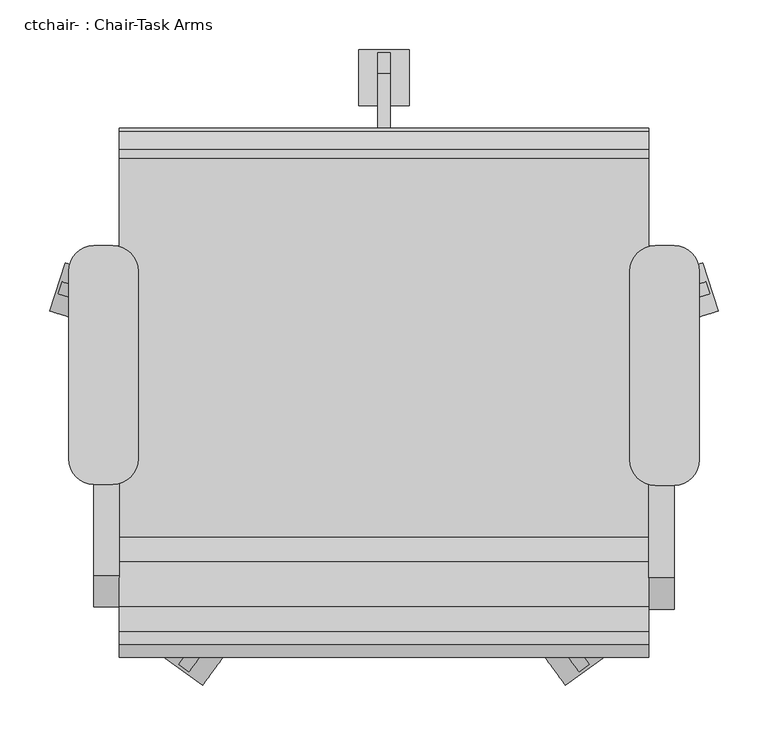
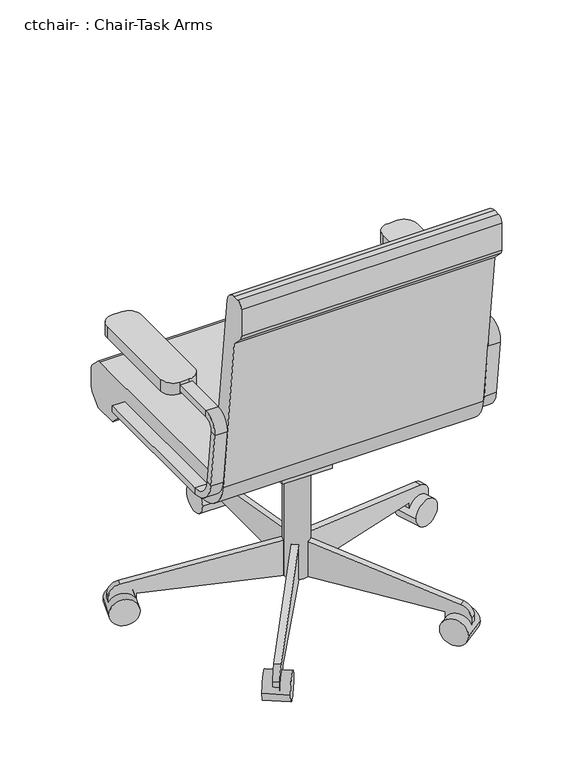
"""IFC4 building model written with IfcOpenShell, lengths in millimetres: furniture geometry, ctchair- : Chair-Task Arms."""

from ifc_helpers import new_model, si_unit, point, frame, frame_2d, origin, place, context, project, spatial, polyline, circle_curve, trimmed, segment, composite_curve, outline, extrude, source, transform, mapped, element, save
from ifc_brep_helpers import plane_surface, cylinder_surface, revolved_surface, advanced_brep


def ctchair_chair_task_arms_3b363349(model_context):
    return source(origin(), model_context, "Body", "SolidModel", [
        extrude(outline(composite_curve([segment(polyline([(433.0908197, -74.2028048), (414.0408197, -74.2028048)]), True, "CONTINUOUS"), segment(trimmed(circle_curve(frame_2d((414.0408197, -48.8028048)), 25.4), [point((414.0408197, -74.2028048))], [point((388.6408197, -48.8028048))], False, "CARTESIAN"), True, "CONTINUOUS"), segment(polyline([(388.6408197, -48.8028048), (388.6408197, 141.6319091)]), True, "CONTINUOUS"), segment(trimmed(circle_curve(frame_2d((414.0408197, 141.6319091)), 25.4), [point((388.6408197, 141.6319091))], [point((414.0408197, 167.0319091))], False, "CARTESIAN"), True, "CONTINUOUS"), segment(polyline([(414.0408197, 167.0319091), (433.0908197, 167.0319091)]), True, "CONTINUOUS"), segment(trimmed(circle_curve(frame_2d((433.0908197, 141.6319091)), 25.4), [point((433.0908197, 167.0319091))], [point((458.4908197, 141.6319091))], False, "CARTESIAN"), True, "CONTINUOUS"), segment(polyline([(458.4908197, 141.6319091), (458.4908197, -48.8028048)]), True, "CONTINUOUS"), segment(trimmed(circle_curve(frame_2d((433.0908197, -48.8028048)), 25.4), [point((458.4908197, -48.8028048))], [point((433.0908197, -74.2028048))], False, "CARTESIAN"), True, "CONTINUOUS")], self_intersect=False)), frame((0.0, 0.0, 596.9), z_axis=(0.0, 0.0, 1.0), x_axis=(1.0, 0.0, 0.0)), (0.0, 0.0, 1.0), 25.4),
        extrude(outline(composite_curve([segment(polyline([(-132.0591803, -73.1575984), (-151.1091803, -73.1575984)]), True, "CONTINUOUS"), segment(trimmed(circle_curve(frame_2d((-151.1091803, -47.7575984)), 25.4), [point((-151.1091803, -73.1575984))], [point((-176.5091803, -47.7575984))], False, "CARTESIAN"), True, "CONTINUOUS"), segment(polyline([(-176.5091803, -47.7575984), (-176.5091803, 141.6319091)]), True, "CONTINUOUS"), segment(trimmed(circle_curve(frame_2d((-151.1091803, 141.6319091)), 25.4), [point((-176.5091803, 141.6319091))], [point((-151.1091803, 167.0319091))], False, "CARTESIAN"), True, "CONTINUOUS"), segment(polyline([(-151.1091803, 167.0319091), (-132.0591803, 167.0319091)]), True, "CONTINUOUS"), segment(trimmed(circle_curve(frame_2d((-132.0591803, 141.6319091)), 25.4), [point((-132.0591803, 167.0319091))], [point((-106.6591803, 141.6319091))], False, "CARTESIAN"), True, "CONTINUOUS"), segment(polyline([(-106.6591803, 141.6319091), (-106.6591803, -47.7575984)]), True, "CONTINUOUS"), segment(trimmed(circle_curve(frame_2d((-132.0591803, -47.7575984)), 25.4), [point((-106.6591803, -47.7575984))], [point((-132.0591803, -73.1575984))], False, "CARTESIAN"), True, "CONTINUOUS")], self_intersect=False)), frame((0.0, 0.0, 596.9), z_axis=(0.0, 0.0, 1.0), x_axis=(1.0, 0.0, 0.0)), (0.0, 0.0, 1.0), 25.4),
        advanced_brep(
        [(-151.1091803, 167.0319091, 412.75), (-151.1091803, 167.0319091, 425.45), (-125.7091803, 167.0319091, 425.45), (-125.7091803, 167.0319091, 412.75), (-151.1091803, -126.2388651, 412.75), (-151.1091803, -126.2388651, 425.45), (-125.7091803, -126.2388651, 425.45), (-125.7091803, -126.2388651, 412.75), (-151.1091803, -170.3844094, 464.7064065), (-151.1091803, -182.9974221, 463.2225227), (-125.7091803, -170.3844094, 464.7064065), (-125.7091803, -182.9974221, 463.2225227), (-151.1091803, -196.7936301, 580.4902904), (-151.1091803, -184.1806174, 581.9741742), (-125.7091803, -184.1806174, 581.9741742), (-125.7091803, -196.7936301, 580.4902904), (-151.1091803, -165.2610984, 603.25), (-151.1091803, -165.2610984, 615.95), (-125.7091803, -165.2610984, 603.25), (-125.7091803, -165.2610984, 615.95), (-151.1091803, 18.9459016, 615.95), (-125.7091803, 18.9459016, 615.95), (-125.7091803, 18.9459016, 603.25), (-151.1091803, 18.9459016, 603.25)],
        [
            (0, 1),
            (1, 2),
            (2, 3),
            (3, 0),
            (0, 4),
            (4, 5),
            (5, 1),
            (5, 6),
            (6, 2),
            (6, 7),
            (7, 3),
            (7, 4),
            (8, 5, circle_curve(frame((-151.1091803, -126.2388651, 469.9), z_axis=(1.0, 0.0, 0.0), x_axis=(0.0, 0.0, -1.0)), 44.45)),
            (4, 9, circle_curve(frame((-151.1091803, -126.2388651, 469.9), z_axis=(-1.0, 0.0, 0.0), x_axis=(0.0, 0.0, -1.0)), 57.15)),
            (9, 8),
            (10, 6, circle_curve(frame((-125.7091803, -126.2388651, 469.9), z_axis=(1.0, 0.0, 0.0), x_axis=(0.0, 0.0, -1.0)), 44.45)),
            (8, 10),
            (11, 7, circle_curve(frame((-125.7091803, -126.2388651, 469.9), z_axis=(1.0, 0.0, 0.0), x_axis=(0.0, 0.0, -1.0)), 57.15)),
            (10, 11),
            (11, 9),
            (9, 12),
            (12, 13),
            (13, 8),
            (13, 14),
            (14, 10),
            (14, 15),
            (15, 11),
            (15, 12),
            (16, 13, circle_curve(frame((-151.1091803, -165.2610984, 584.2), z_axis=(1.0, 0.0, 0.0), x_axis=(0.0, -0.9931506043228768, -0.11684124756739202)), 19.05)),
            (12, 17, circle_curve(frame((-151.1091803, -165.2610984, 584.2), z_axis=(-1.0, 0.0, 0.0), x_axis=(0.0, -0.9931506043228768, -0.11684124756739202)), 31.75)),
            (17, 16),
            (18, 14, circle_curve(frame((-125.7091803, -165.2610984, 584.2), z_axis=(1.0, 0.0, 0.0), x_axis=(0.0, -0.9931506043228768, -0.11684124756739202)), 19.05)),
            (16, 18),
            (19, 15, circle_curve(frame((-125.7091803, -165.2610984, 584.2), z_axis=(1.0, 0.0, 0.0), x_axis=(0.0, -0.9931506043228768, -0.11684124756739202)), 31.75)),
            (18, 19),
            (19, 17),
            (20, 21),
            (21, 22),
            (22, 23),
            (23, 20),
            (17, 20),
            (23, 16),
            (22, 18),
            (21, 19),
        ],
        [
            plane_surface(frame((-152.608212, 167.0319091, 419.1), z_axis=(0.0, 1.0, 0.0), x_axis=(0.0, 0.0, -1.0))),
            plane_surface(frame((-151.1091803, 167.0319091, 412.75), z_axis=(-1.0, 0.0, 0.0), x_axis=(0.0, -1.0, 0.0))),
            plane_surface(frame((-151.1091803, 167.0319091, 425.45), z_axis=(0.0, 0.0, 1.0), x_axis=(0.0, -1.0, 0.0))),
            plane_surface(frame((-125.7091803, 167.0319091, 425.45), z_axis=(1.0, 0.0, 0.0), x_axis=(0.0, -1.0, 0.0))),
            plane_surface(frame((-125.7091803, 167.0319091, 412.75), z_axis=(0.0, 0.0, -1.0), x_axis=(0.0, -1.0, 0.0))),
            plane_surface(frame((-151.1091803, -126.2388651, 469.9), z_axis=(-1.0, 0.0, 0.0), x_axis=(0.0, 0.0, -1.0))),
            revolved_surface(polyline([(-151.1091803, -126.2388651, 425.45), (-125.7091803, -126.2388651, 425.45)]), (-138.4091803, -126.2388651, 469.9), (-1.0, 0.0, 0.0)),
            plane_surface(frame((-125.7091803, -126.2388651, 469.9), z_axis=(1.0, 0.0, 0.0), x_axis=(0.0, 0.0, -1.0))),
            cylinder_surface(frame((-138.4091803, -126.2388651, 469.9), z_axis=(-1.0, 0.0, 0.0), x_axis=(0.0, 0.0, -1.0)), 57.15),
            plane_surface(frame((-151.1091803, -182.9974221, 463.2225227), z_axis=(-1.0, 0.0, 0.0), x_axis=(0.0, -0.1168412475673856, 0.9931506043228776))),
            plane_surface(frame((-151.1091803, -170.3844094, 464.7064065), z_axis=(0.0, 0.9931506043228776, 0.1168412475673856), x_axis=(0.0, -0.1168412475673856, 0.9931506043228776))),
            plane_surface(frame((-125.7091803, -170.3844094, 464.7064065), z_axis=(1.0, 0.0, 0.0), x_axis=(0.0, -0.1168412475673856, 0.9931506043228776))),
            plane_surface(frame((-125.7091803, -182.9974221, 463.2225227), z_axis=(0.0, -0.9931506043228776, -0.1168412475673856), x_axis=(0.0, -0.1168412475673856, 0.9931506043228776))),
            plane_surface(frame((-151.1091803, -165.2610984, 584.2), z_axis=(-1.0, 0.0, 0.0), x_axis=(0.0, -0.9931506043228768, -0.11684124756739202))),
            revolved_surface(polyline([(-151.1091803, -184.1806174123508, 581.9741742338413), (-125.7091803, -184.1806174123508, 581.9741742338413)]), (-138.4091803, -165.2610984, 584.2), (-1.0, 0.0, 0.0)),
            plane_surface(frame((-125.7091803, -165.2610984, 584.2), z_axis=(1.0, 0.0, 0.0), x_axis=(0.0, -0.9931506043228768, -0.11684124756739202))),
            cylinder_surface(frame((-138.4091803, -165.2610984, 584.2), z_axis=(-1.0, 0.0, 0.0), x_axis=(0.0, -0.9931506043228768, -0.11684124756739202)), 31.75),
            plane_surface(frame((-152.608212, 18.9459016, 609.6), z_axis=(0.0, 1.0, 0.0), x_axis=(0.0, 0.0, 1.0))),
            plane_surface(frame((-151.1091803, -165.2610984, 615.95), z_axis=(-1.0, 0.0, 0.0), x_axis=(0.0, 1.0, 0.0))),
            plane_surface(frame((-151.1091803, -165.2610984, 603.25), z_axis=(0.0, 0.0, -1.0), x_axis=(0.0, 1.0, 0.0))),
            plane_surface(frame((-125.7091803, -165.2610984, 603.25), z_axis=(1.0, 0.0, 0.0), x_axis=(0.0, 1.0, 0.0))),
            plane_surface(frame((-125.7091803, -165.2610984, 615.95), z_axis=(0.0, 0.0, 1.0), x_axis=(0.0, 1.0, 0.0))),
        ],
        [
            (0, [[1, 2, 3, 4]]),
            (1, [[-1, 5, 6, 7]]),
            (2, [[-2, -7, 8, 9]]),
            (3, [[-3, -9, 10, 11]]),
            (4, [[-4, -11, 12, -5]]),
            (5, [[13, -6, 14, 15]]),
            (6, [[16, -8, -13, 17]]),
            (7, [[18, -10, -16, 19]]),
            (8, [[-14, -12, -18, 20]]),
            (9, [[-15, 21, 22, 23]]),
            (10, [[-17, -23, 24, 25]]),
            (11, [[-19, -25, 26, 27]]),
            (12, [[-20, -27, 28, -21]]),
            (13, [[29, -22, 30, 31]]),
            (14, [[32, -24, -29, 33]]),
            (15, [[34, -26, -32, 35]]),
            (16, [[-30, -28, -34, 36]]),
            (17, [[37, 38, 39, 40]]),
            (18, [[-31, 41, -40, 42]]),
            (19, [[-33, -42, -39, 43]]),
            (20, [[-35, -43, -38, 44]]),
            (21, [[-36, -44, -37, -41]]),
        ],
    ),
        advanced_brep(
        [(433.0908197, 167.0319091, 425.45), (433.0908197, 167.0319091, 412.75), (407.6908197, 167.0319091, 412.75), (407.6908197, 167.0319091, 425.45), (433.0908197, -128.329278, 425.45), (433.0908197, -128.329278, 412.75), (407.6908197, -128.329278, 412.75), (407.6908197, -128.329278, 425.45), (433.0908197, -185.0878351, 463.2225227), (433.0908197, -172.4748224, 464.7064065), (407.6908197, -185.0878351, 463.2225227), (407.6908197, -172.4748224, 464.7064065), (433.0908197, -186.2710303, 581.9741742), (433.0908197, -198.884043, 580.4902904), (407.6908197, -198.884043, 580.4902904), (407.6908197, -186.2710303, 581.9741742), (433.0908197, -167.3515113, 615.95), (433.0908197, -167.3515113, 603.25), (407.6908197, -167.3515113, 615.95), (407.6908197, -167.3515113, 603.25), (433.0908197, 18.9459016, 603.25), (407.6908197, 18.9459016, 603.25), (407.6908197, 18.9459016, 615.95), (433.0908197, 18.9459016, 615.95)],
        [
            (0, 1),
            (1, 2),
            (2, 3),
            (3, 0),
            (0, 4),
            (4, 5),
            (5, 1),
            (5, 6),
            (6, 2),
            (6, 7),
            (7, 3),
            (7, 4),
            (8, 5, circle_curve(frame((433.0908197, -128.329278, 469.9), z_axis=(1.0, 0.0, 0.0), x_axis=(0.0, 0.0, -1.0)), 57.15)),
            (4, 9, circle_curve(frame((433.0908197, -128.329278, 469.9), z_axis=(-1.0, 0.0, 0.0), x_axis=(0.0, 0.0, -1.0)), 44.45)),
            (9, 8),
            (10, 6, circle_curve(frame((407.6908197, -128.329278, 469.9), z_axis=(1.0, 0.0, 0.0), x_axis=(0.0, 0.0, -1.0)), 57.15)),
            (8, 10),
            (11, 7, circle_curve(frame((407.6908197, -128.329278, 469.9), z_axis=(1.0, 0.0, 0.0), x_axis=(0.0, 0.0, -1.0)), 44.45)),
            (10, 11),
            (11, 9),
            (9, 12),
            (12, 13),
            (13, 8),
            (13, 14),
            (14, 10),
            (14, 15),
            (15, 11),
            (15, 12),
            (16, 13, circle_curve(frame((433.0908197, -167.3515113, 584.2), z_axis=(1.0, 0.0, 0.0), x_axis=(0.0, -0.9931506043228767, -0.1168412475673929)), 31.75)),
            (12, 17, circle_curve(frame((433.0908197, -167.3515113, 584.2), z_axis=(-1.0, 0.0, 0.0), x_axis=(0.0, -0.9931506043228767, -0.1168412475673929)), 19.05)),
            (17, 16),
            (18, 14, circle_curve(frame((407.6908197, -167.3515113, 584.2), z_axis=(1.0, 0.0, 0.0), x_axis=(0.0, -0.9931506043228767, -0.1168412475673929)), 31.75)),
            (16, 18),
            (19, 15, circle_curve(frame((407.6908197, -167.3515113, 584.2), z_axis=(1.0, 0.0, 0.0), x_axis=(0.0, -0.9931506043228767, -0.1168412475673929)), 19.05)),
            (18, 19),
            (19, 17),
            (20, 21),
            (21, 22),
            (22, 23),
            (23, 20),
            (17, 20),
            (23, 16),
            (22, 18),
            (21, 19),
        ],
        [
            plane_surface(frame((406.191788, 167.0319091, 419.1), z_axis=(0.0, 1.0, 0.0), x_axis=(0.0, 0.0, -1.0))),
            plane_surface(frame((433.0908197, 167.0319091, 425.45), z_axis=(1.0, 0.0, 0.0), x_axis=(0.0, -1.0, 0.0))),
            plane_surface(frame((433.0908197, 167.0319091, 412.75), z_axis=(0.0, 0.0, -1.0), x_axis=(0.0, -1.0, 0.0))),
            plane_surface(frame((407.6908197, 167.0319091, 412.75), z_axis=(-1.0, 0.0, 0.0), x_axis=(0.0, -1.0, 0.0))),
            plane_surface(frame((407.6908197, 167.0319091, 425.45), z_axis=(0.0, 0.0, 1.0), x_axis=(0.0, -1.0, 0.0))),
            plane_surface(frame((433.0908197, -128.329278, 469.9), z_axis=(1.0, 0.0, 0.0), x_axis=(0.0, 0.0, -1.0))),
            cylinder_surface(frame((420.3908197, -128.329278, 469.9), z_axis=(-1.0, 0.0, 0.0), x_axis=(0.0, 0.0, -1.0)), 57.15),
            plane_surface(frame((407.6908197, -128.329278, 469.9), z_axis=(-1.0, 0.0, 0.0), x_axis=(0.0, 0.0, -1.0))),
            revolved_surface(polyline([(407.6908197, -128.329278, 425.45), (433.0908197, -128.329278, 425.45)]), (420.3908197, -128.329278, 469.9), (-1.0, 0.0, 0.0)),
            plane_surface(frame((433.0908197, -172.4748224, 464.7064065), z_axis=(1.0, 0.0, 0.0), x_axis=(0.0, -0.11684124756738626, 0.9931506043228775))),
            plane_surface(frame((433.0908197, -185.0878351, 463.2225227), z_axis=(0.0, -0.9931506043228775, -0.11684124756738619), x_axis=(0.0, -0.11684124756738619, 0.9931506043228775))),
            plane_surface(frame((407.6908197, -185.0878351, 463.2225227), z_axis=(-1.0, 0.0, 0.0), x_axis=(0.0, -0.11684124756738619, 0.9931506043228775))),
            plane_surface(frame((407.6908197, -172.4748224, 464.7064065), z_axis=(0.0, 0.9931506043228775, 0.11684124756738626), x_axis=(0.0, -0.11684124756738626, 0.9931506043228775))),
            plane_surface(frame((433.0908197, -167.3515113, 584.2), z_axis=(1.0, 0.0, 0.0), x_axis=(0.0, -0.9931506043228767, -0.1168412475673929))),
            cylinder_surface(frame((420.3908197, -167.3515113, 584.2), z_axis=(-1.0, 0.0, 0.0), x_axis=(0.0, -0.9931506043228767, -0.1168412475673929)), 31.75),
            plane_surface(frame((407.6908197, -167.3515113, 584.2), z_axis=(-1.0, 0.0, 0.0), x_axis=(0.0, -0.9931506043228767, -0.1168412475673929))),
            revolved_surface(polyline([(407.6908197, -186.2710303123508, 581.9741742338412), (433.0908197, -186.2710303123508, 581.9741742338412)]), (420.3908197, -167.3515113, 584.2), (-1.0, 0.0, 0.0)),
            plane_surface(frame((406.191788, 18.9459016, 609.6), z_axis=(0.0, 1.0, 0.0), x_axis=(0.0, 0.0, 1.0))),
            plane_surface(frame((433.0908197, -167.3515113, 603.25), z_axis=(1.0, 0.0, 0.0), x_axis=(0.0, 1.0, 0.0))),
            plane_surface(frame((433.0908197, -167.3515113, 615.95), z_axis=(0.0, 0.0, 1.0), x_axis=(0.0, 1.0, 0.0))),
            plane_surface(frame((407.6908197, -167.3515113, 615.95), z_axis=(-1.0, 0.0, 0.0), x_axis=(0.0, 1.0, 0.0))),
            plane_surface(frame((407.6908197, -167.3515113, 603.25), z_axis=(0.0, 0.0, -1.0), x_axis=(0.0, 1.0, 0.0))),
        ],
        [
            (0, [[1, 2, 3, 4]]),
            (1, [[-1, 5, 6, 7]]),
            (2, [[-2, -7, 8, 9]]),
            (3, [[-3, -9, 10, 11]]),
            (4, [[-4, -11, 12, -5]]),
            (5, [[13, -6, 14, 15]]),
            (6, [[16, -8, -13, 17]]),
            (7, [[18, -10, -16, 19]]),
            (8, [[-14, -12, -18, 20]]),
            (9, [[-15, 21, 22, 23]]),
            (10, [[-17, -23, 24, 25]]),
            (11, [[-19, -25, 26, 27]]),
            (12, [[-20, -27, 28, -21]]),
            (13, [[29, -22, 30, 31]]),
            (14, [[32, -24, -29, 33]]),
            (15, [[34, -26, -32, 35]]),
            (16, [[-30, -28, -34, 36]]),
            (17, [[37, 38, 39, 40]]),
            (18, [[-31, 41, -40, 42]]),
            (19, [[-33, -42, -39, 43]]),
            (20, [[-35, -43, -38, 44]]),
            (21, [[-36, -44, -37, -41]]),
        ],
    ),
        extrude(outline(composite_curve([segment(trimmed(circle_curve(frame_2d((140.9908197, 18.9459016)), 25.4), [point((115.5908197, 18.9459016))], [point((166.3908197, 18.9459016))], False, "CARTESIAN"), True, "CONTINUOUS"), segment(trimmed(circle_curve(frame_2d((140.9908197, 18.9459016)), 25.4), [point((166.3908197, 18.9459016))], [point((115.5908197, 18.9459016))], False, "CARTESIAN"), True, "CONTINUOUS")], self_intersect=False)), frame((0.0, 0.0, 53.5835944), z_axis=(0.0, 0.0, 1.0), x_axis=(1.0, 0.0, 0.0)), (0.0, 0.0, 1.0), 330.5914056),
        extrude(outline(composite_curve([segment(trimmed(circle_curve(frame_2d((0.0, -28.2002727)), 28.2002727), [point((0.0, -56.4005455))], [point((0.0, 0.0))], False, "CARTESIAN"), True, "CONTINUOUS"), segment(trimmed(circle_curve(frame_2d((0.0, -28.2002727)), 28.2002727), [point((0.0, 0.0))], [point((0.0, -56.4005455))], False, "CARTESIAN"), True, "CONTINUOUS")], self_intersect=False)), frame((477.6203484, 101.6163254, 28.1835944), z_axis=(-0.3090169943749423, 0.9510565162951553, 0.0), x_axis=(0.0, 0.0, 1.0)), (0.0, 0.0, 1.0), 50.8),
        extrude(outline(composite_curve([segment(polyline([(-25.4, 0.0), (0.0, 0.0), (0.0, -50.8), (-24.303053, -50.8)]), True, "CONTINUOUS"), segment(trimmed(circle_curve(frame_2d((-24.303053, -25.4)), 25.4), [point((-24.303053, -50.8))], [point((-49.3171699, -29.8106637))], False, "CARTESIAN"), True, "CONTINUOUS"), segment(polyline([(-49.3171699, -29.8106637), (-101.6, 266.7), (-101.6, 292.1), (-25.4, 292.1), (-25.4, 0.0)]), True, "CONTINUOUS")], self_intersect=False)), frame((420.756686, 103.1705568, 28.1835944), z_axis=(-0.3090169943749423, 0.9510565162951553, 0.0), x_axis=(0.0, 0.0, -1.0)), (0.0, 0.0, 1.0), 12.7),
        extrude(outline(composite_curve([segment(trimmed(circle_curve(frame_2d((0.0, -28.2002727)), 28.2002727), [point((0.0, -56.4005455))], [point((0.0, 0.0))], False, "CARTESIAN"), True, "CONTINUOUS"), segment(trimmed(circle_curve(frame_2d((0.0, -28.2002727)), 28.2002727), [point((0.0, 0.0))], [point((0.0, -56.4005455))], False, "CARTESIAN"), True, "CONTINUOUS")], self_intersect=False)), frame((323.63931, -275.6612394, 28.1835944), z_axis=(0.8090169943749499, 0.5877852522924699, 0.0), x_axis=(0.0, 0.0, 1.0)), (0.0, 0.0, 1.0), 50.8),
        extrude(outline(composite_curve([segment(polyline([(-25.4, 0.0), (0.0, 0.0), (0.0, -50.8), (-24.303053, -50.8)]), True, "CONTINUOUS"), segment(trimmed(circle_curve(frame_2d((-24.303053, -25.3999999)), 25.4), [point((-24.303053, -50.8))], [point((-49.3171699, -29.8106636))], False, "CARTESIAN"), True, "CONTINUOUS"), segment(polyline([(-49.3171699, -29.8106636), (-101.6, 266.7), (-101.6, 292.1), (-25.4, 292.1), (-25.4, 0.0)]), True, "CONTINUOUS")], self_intersect=False)), frame((307.545634, -221.1003988, 28.1835944), z_axis=(0.8090169943749499, 0.5877852522924699, 0.0), x_axis=(0.0, 0.0, -1.0)), (0.0, 0.0, 1.0), 12.7),
        extrude(outline(composite_curve([segment(trimmed(circle_curve(frame_2d((0.0, -28.2002727)), 28.2002727), [point((0.0, -56.4005455))], [point((0.0, 0.0))], False, "CARTESIAN"), True, "CONTINUOUS"), segment(trimmed(circle_curve(frame_2d((0.0, -28.2002727)), 28.2002727), [point((0.0, 0.0))], [point((0.0, -56.4005455))], False, "CARTESIAN"), True, "CONTINUOUS")], self_intersect=False)), frame((-41.6576707, -275.6612394, 28.1835944), z_axis=(-0.8090169943749458, 0.5877852522924754, 0.0), x_axis=(0.0, 0.0, -1.0)), (0.0, 0.0, 1.0), 50.8),
        extrude(outline(composite_curve([segment(polyline([(25.4, 0.0), (25.4, 292.1), (101.6, 292.1), (101.6, 266.7), (49.3171699, -29.8106637)]), True, "CONTINUOUS"), segment(trimmed(circle_curve(frame_2d((24.303053, -25.3999999)), 25.4), [point((49.3171699, -29.8106637))], [point((24.303053, -50.8))], False, "CARTESIAN"), True, "CONTINUOUS"), segment(polyline([(24.303053, -50.8), (0.0, -50.8), (0.0, 0.0), (25.4, 0.0)]), True, "CONTINUOUS")], self_intersect=False)), frame((-25.5639946, -221.1003988, 28.1835944), z_axis=(-0.8090169943749459, 0.5877852522924754, 0.0), x_axis=(0.0, 0.0, 1.0)), (0.0, 0.0, 1.0), 12.7),
        extrude(outline(composite_curve([segment(trimmed(circle_curve(frame_2d((0.0, -28.2002727)), 28.2002727), [point((0.0, -56.4005454))], [point((0.0, 0.0))], False, "CARTESIAN"), True, "CONTINUOUS"), segment(trimmed(circle_curve(frame_2d((0.0, -28.2002727)), 28.2002727), [point((0.0, 0.0))], [point((0.0, -56.4005454))], False, "CARTESIAN"), True, "CONTINUOUS")], self_intersect=False)), frame((-195.638709, 101.6163254, 28.1835944), z_axis=(0.3090169943749487, 0.9510565162951532, 0.0), x_axis=(0.0, 0.0, -1.0)), (0.0, 0.0, 1.0), 50.8),
        extrude(outline(composite_curve([segment(polyline([(25.4, 0.0), (25.4, 292.1000001), (101.6, 292.1000001), (101.6, 266.7), (49.3171699, -29.8106636)]), True, "CONTINUOUS"), segment(trimmed(circle_curve(frame_2d((24.303053, -25.4)), 25.4), [point((49.3171699, -29.8106636))], [point((24.303053, -50.8))], False, "CARTESIAN"), True, "CONTINUOUS"), segment(polyline([(24.303053, -50.8), (0.0, -50.8), (0.0, 0.0), (25.4, 0.0)]), True, "CONTINUOUS")], self_intersect=False)), frame((-138.7750467, 103.1705568, 28.1835944), z_axis=(0.3090169943749487, 0.9510565162951532, 0.0), x_axis=(0.0, 0.0, 1.0)), (0.0, 0.0, 1.0), 12.7),
        extrude(outline(composite_curve([segment(trimmed(circle_curve(frame_2d((336.4459016, 28.1835944)), 28.2002727), [point((308.2456289, 28.1835944))], [point((364.6461744, 28.1835944))], False, "CARTESIAN"), True, "CONTINUOUS"), segment(trimmed(circle_curve(frame_2d((336.4459016, 28.1835944)), 28.2002727), [point((364.6461744, 28.1835944))], [point((308.2456289, 28.1835944))], False, "CARTESIAN"), True, "CONTINUOUS")], self_intersect=False)), frame((115.5908197, 0.0, 0.0), z_axis=(1.0, 0.0, 0.0), x_axis=(0.0, 1.0, 0.0)), (0.0, 0.0, 1.0), 50.8),
        extrude(outline(composite_curve([segment(polyline([(311.0459016, 53.5835944), (18.9459016, 53.5835944), (18.9459016, 129.7835944), (44.3459016, 129.7835944), (340.8565654, 77.5007643)]), True, "CONTINUOUS"), segment(trimmed(circle_curve(frame_2d((336.4459016, 52.4866474)), 25.4), [point((340.8565654, 77.5007643))], [point((361.8459016, 52.4866474))], False, "CARTESIAN"), True, "CONTINUOUS"), segment(polyline([(361.8459016, 52.4866474), (361.8459016, 28.1835944), (311.0459016, 28.1835944), (311.0459016, 53.5835944)]), True, "CONTINUOUS")], self_intersect=False)), frame((134.6408197, 0.0, 0.0), z_axis=(1.0, 0.0, 0.0), x_axis=(0.0, 1.0, 0.0)), (0.0, 0.0, 1.0), 12.7),
        extrude(outline(polyline([(69.7459016, 383.7835944), (69.7459016, 371.0835944), (18.9459016, 283.0954134), (-19.1540984, 283.0954134), (-19.1540984, 383.7835944), (69.7459016, 383.7835944)])), frame((90.1908197, 0.0, 0.0), z_axis=(1.0, 0.0, 0.0), x_axis=(0.0, 1.0, 0.0)), (0.0, 0.0, 1.0), 101.6),
        extrude(outline(composite_curve([segment(polyline([(-126.2050455, 457.2), (255.0102301, 457.2)]), True, "CONTINUOUS"), segment(trimmed(circle_curve(frame_2d((255.0102301, 444.5)), 12.7), [point((255.0102301, 457.2))], [point((263.9604301, 453.510212))], False, "CARTESIAN"), True, "CONTINUOUS"), segment(polyline([(263.9604301, 453.510212), (281.8961016, 435.6939999)]), True, "CONTINUOUS"), segment(trimmed(circle_curve(frame_2d((272.9459016, 426.6837879)), 12.7), [point((281.8961016, 435.6939999))], [point((285.6459016, 426.6837879))], False, "CARTESIAN"), True, "CONTINUOUS"), segment(polyline([(285.6459016, 426.6837879), (285.6459016, 391.6405184)]), True, "CONTINUOUS"), segment(trimmed(circle_curve(frame_2d((260.2459016, 391.6405184)), 25.4), [point((285.6459016, 391.6405184))], [point((278.2663256, 373.7401184))], False, "CARTESIAN"), True, "CONTINUOUS"), segment(polyline([(278.2663256, 373.7401184), (260.2470284, 355.6), (209.4470284, 355.6), (181.0744602, 383.7835944), (-107.1089978, 383.7835944)]), True, "CONTINUOUS"), segment(trimmed(circle_curve(frame_2d((-107.1089978, 459.9835944)), 76.2), [point((-107.1089978, 383.7835944))], [point((-182.7870738, 451.0802913))], False, "CARTESIAN"), True, "CONTINUOUS"), segment(polyline([(-182.7870738, 451.0802913), (-222.3540984, 787.4), (-244.0343545, 809.0802561)]), True, "CONTINUOUS"), segment(trimmed(circle_curve(frame_2d((-235.0540984, 818.0605122)), 12.7), [point((-244.0343545, 809.0802561))], [point((-247.7540984, 818.0605122))], False, "CARTESIAN"), True, "CONTINUOUS"), segment(polyline([(-247.7540984, 818.0605122), (-247.7540984, 876.3)]), True, "CONTINUOUS"), segment(trimmed(circle_curve(frame_2d((-235.0540984, 876.3)), 12.7), [point((-247.7540984, 876.3))], [point((-235.0540984, 889.0))], False, "CARTESIAN"), True, "CONTINUOUS"), segment(polyline([(-235.0540984, 889.0), (-222.1789239, 889.0)]), True, "CONTINUOUS"), segment(trimmed(circle_curve(frame_2d((-222.1789239, 863.6)), 25.4), [point((-222.1789239, 889.0))], [point((-196.9528985, 866.5677677))], False, "CARTESIAN"), True, "CONTINUOUS"), segment(polyline([(-196.9528985, 866.5677677), (-151.4310708, 479.6322323)]), True, "CONTINUOUS"), segment(trimmed(circle_curve(frame_2d((-126.2050455, 482.6)), 25.4), [point((-151.4310708, 479.6322323))], [point((-126.2050455, 457.2))], True, "CARTESIAN"), True, "CONTINUOUS")], self_intersect=False)), frame((-125.7091803, 0.0, 0.0), z_axis=(1.0, 0.0, 0.0), x_axis=(0.0, 1.0, 0.0)), (0.0, 0.0, 1.0), 533.4),
    ])


if __name__ == "__main__":
    model = new_model("IFC4")
    model_context = context("Model", 3, world=origin())
    ifc_project = project(units=[si_unit("LENGTHUNIT", "METRE", prefix="MILLI")], contexts=[model_context])
    site = spatial("IfcSite", under=ifc_project)
    building = spatial("IfcBuilding", under=site)
    placement = place(None, origin())
    ctchair_chair_task_arms_shape = ctchair_chair_task_arms_3b363349(model_context)
    element("IfcFurniture", 1, ObjectType="ctchair- : Chair-Task Arms", at=placement, inside=building, context=model_context, shape_type="MappedRepresentation", body=[
        mapped(ctchair_chair_task_arms_shape, transform((0.0, 0.0, 0.0), x_axis=(1.0, 0.0, 0.0), y_axis=(0.0, 1.0, 0.0), z_axis=(0.0, 0.0, 1.0))),
    ])
    save(model, "model.ifc")
